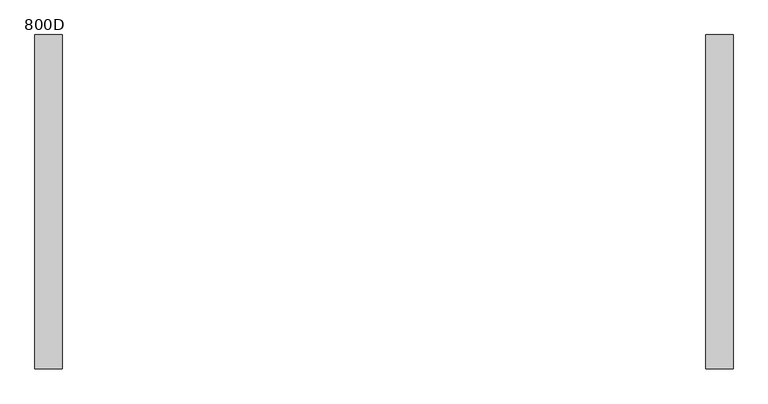
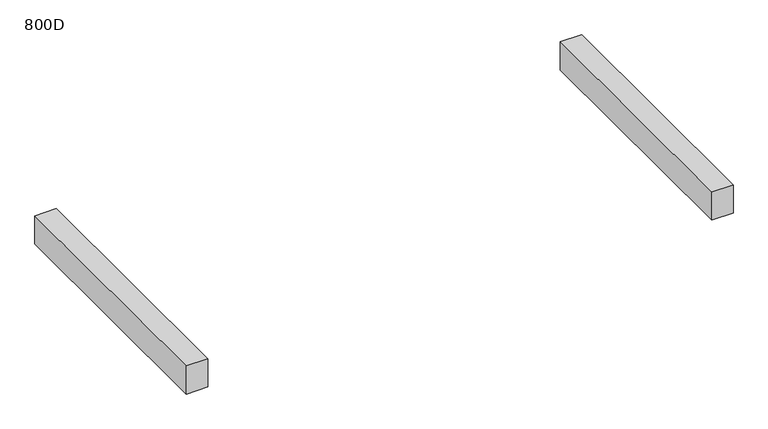
"""IFC4 building model written with IfcOpenShell, lengths in millimetres: furniture geometry, 800D."""

import ifcopenshell
import ifcopenshell.guid

model = None  # the IFC model being written
_history = None  # IfcOwnerHistory: only IFC2X3 demands one
_inside = {}  # id of a spatial element -> (the spatial element, [elements in it])
_under = {}  # id of a project, library or spatial element -> (it, [spatial elements below it])
_declared = {}  # id of a project -> (the project, [libraries it declares])
_typed = {}  # id of a type object -> (the type object, [elements of that type])
_made_of = {}  # id of a material, layer set ... -> (it, [elements and type objects made of it])


def new_model(schema):
    """Start an empty IFC model of exactly this schema.

    Asked for "IFC4X3", IfcOpenShell would pick the latest addendum, in which some entities
    have other attributes; the version numbers below select the first issue.
    IFC2X3 requires an IfcOwnerHistory on every rooted entity: one is made here for all.
    """
    global model, _history
    if schema == "IFC4X3":
        model = ifcopenshell.file(schema_version=(4, 3, 0, 0))
    else:
        model = ifcopenshell.file(schema=schema)
    _inside.clear()
    _under.clear()
    _declared.clear()
    _typed.clear()
    _made_of.clear()
    _history = None
    if model.schema == "IFC2X3":
        org = make("IfcOrganization", Name="unknown")
        user = make(
            "IfcPersonAndOrganization",
            ThePerson=make("IfcPerson", FamilyName="unknown"),
            TheOrganization=org,
        )
        app = make(
            "IfcApplication",
            ApplicationDeveloper=org,
            Version="unknown",
            ApplicationFullName="unknown",
            ApplicationIdentifier="unknown",
        )
        _history = make(
            "IfcOwnerHistory",
            OwningUser=user,
            OwningApplication=app,
            ChangeAction="ADDED",
            CreationDate=0,
        )
    return model


def make(cls, **values):
    """One entity of the class cls with the attributes given. An attribute that is None is left unset."""
    return model.create_entity(
        cls, **{name: value for name, value in values.items() if value is not None}
    )


def rooted(cls, **values):
    """An entity with a GlobalId (a new one), such as an element, a storey or a relation."""
    return make(cls, GlobalId=ifcopenshell.guid.new(), OwnerHistory=_history, **values)


def si_unit(unit_type, name, prefix=None):
    """IfcSIUnit, for example si_unit("LENGTHUNIT", "METRE", prefix="MILLI")."""
    return make("IfcSIUnit", UnitType=unit_type, Prefix=prefix, Name=name)


def assignment(units):
    """IfcUnitAssignment: the units of a project."""
    return None if units is None else make("IfcUnitAssignment", Units=units)


def point(xyz):
    """IfcCartesianPoint."""
    return None if xyz is None else make("IfcCartesianPoint", Coordinates=xyz)


def direction(xyz):
    """IfcDirection."""
    return None if xyz is None else make("IfcDirection", DirectionRatios=xyz)


def frame(location, z_axis=None, x_axis=None):
    """IfcAxis2Placement3D, a coordinate frame: its origin and axes. An axis left out is left unset."""
    return make(
        "IfcAxis2Placement3D",
        Location=point(location),
        Axis=direction(z_axis),
        RefDirection=direction(x_axis),
    )


def origin():
    """The frame at (0, 0, 0) with its axes left unset."""
    return frame((0.0, 0.0, 0.0))


def place(relative_to, where):
    """IfcLocalPlacement: puts the frame where relative to a parent placement (None: the world)."""
    return make(
        "IfcLocalPlacement", PlacementRelTo=relative_to, RelativePlacement=where
    )


def context(
    kind, dimensions, precision=None, world=None, true_north=None, identifier=None
):
    """IfcGeometricRepresentationContext, for example the 3D "Model" context."""
    return make(
        "IfcGeometricRepresentationContext",
        ContextIdentifier=identifier,
        ContextType=kind,
        CoordinateSpaceDimension=dimensions,
        Precision=precision,
        WorldCoordinateSystem=world,
        TrueNorth=true_north,
    )


def project(units=None, contexts=None):
    """IfcProject with its units and contexts."""
    return rooted(
        "IfcProject",
        Name="project",
        RepresentationContexts=contexts,
        UnitsInContext=assignment(units),
    )


def spatial(cls, under=None, at=None, **own):
    """A site, building, storey or space (cls), placed at a placement, below another one or the project."""
    s = rooted(cls, ObjectPlacement=at, **own)
    if under is not None:
        _under.setdefault(under.id(), (under, []))[1].append(s)
    return s


def polyline(points):
    """IfcPolyline through the points."""
    return make("IfcPolyline", Points=[point(p) for p in points])


def outline(outer, holes=None, kind="AREA"):
    """IfcArbitraryClosedProfileDef: a profile drawn as a closed curve; with holes, ...WithVoids."""
    if holes is None:
        return make("IfcArbitraryClosedProfileDef", ProfileType=kind, OuterCurve=outer)
    return make(
        "IfcArbitraryProfileDefWithVoids",
        ProfileType=kind,
        OuterCurve=outer,
        InnerCurves=holes,
    )


def extrude(swept, where, along, depth):
    """IfcExtrudedAreaSolid: the profile swept, set in the frame where, extruded along a direction by depth."""
    return make(
        "IfcExtrudedAreaSolid",
        SweptArea=swept,
        Position=where,
        ExtrudedDirection=direction(along),
        Depth=depth,
    )


def shape(context_of_items, identifier, shape_type, items):
    """IfcShapeRepresentation: the items that make up one representation, for example the "Body"."""
    return make(
        "IfcShapeRepresentation",
        ContextOfItems=context_of_items,
        RepresentationIdentifier=identifier,
        RepresentationType=shape_type,
        Items=items,
    )


def source(mapping_origin, context_of_items, identifier, shape_type, items):
    """IfcRepresentationMap: a shape defined once, which mapped items show again and again."""
    return make(
        "IfcRepresentationMap",
        MappingOrigin=mapping_origin,
        MappedRepresentation=shape(context_of_items, identifier, shape_type, items),
    )


def transform(
    local_origin,
    x_axis=None,
    y_axis=None,
    z_axis=None,
    scale=None,
    scale2=None,
    scale3=None,
    uniform=True,
):
    """IfcCartesianTransformationOperator3D, or its non-uniform kind. x_axis, y_axis, z_axis: its Axis1, 2, 3."""
    if uniform:
        return make(
            "IfcCartesianTransformationOperator3D",
            Axis1=direction(x_axis),
            Axis2=direction(y_axis),
            LocalOrigin=point(local_origin),
            Scale=scale,
            Axis3=direction(z_axis),
        )
    return make(
        "IfcCartesianTransformationOperator3DnonUniform",
        Axis1=direction(x_axis),
        Axis2=direction(y_axis),
        LocalOrigin=point(local_origin),
        Scale=scale,
        Axis3=direction(z_axis),
        Scale2=scale2,
        Scale3=scale3,
    )


def mapped(mapping_source, mapping_target):
    """IfcMappedItem: shows the shape of a source again, moved by a transform."""
    return make(
        "IfcMappedItem", MappingSource=mapping_source, MappingTarget=mapping_target
    )


def made_of(thing, what):
    """Note that an element or type object is made of a material, layer set ...; save() writes the relation."""
    if what is not None:
        _made_of.setdefault(what.id(), (what, []))[1].append(thing)
    return thing


def element(
    cls,
    number,
    at=None,
    inside=None,
    cuts=None,
    type_object=None,
    material=None,
    context=None,
    identifier="Body",
    shape_type=None,
    held_by="IfcProductDefinitionShape",
    body=None,
    shapes=None,
    **own,
):
    """One element of the class cls, such as IfcWall. Its Tag is "e" and its number.

    at: its placement. inside: the storey or other place that contains it. cuts: it is an
    opening in that element (IfcRelVoidsElement). A single representation is given by context,
    identifier, shape_type and body (its items); several are given by shapes. held_by: the class
    of the entity that holds the representations. save() writes the other relations.
    """
    e = rooted(cls, Tag="e%d" % number, ObjectPlacement=at, **own)
    if body is not None:
        shapes = [shape(context, identifier, shape_type, body)]
    if shapes is not None:
        e.Representation = make(held_by, Representations=shapes)
    if inside is not None:
        _inside.setdefault(inside.id(), (inside, []))[1].append(e)
    if cuts is not None:
        rooted(
            "IfcRelVoidsElement", RelatingBuildingElement=cuts, RelatedOpeningElement=e
        )
    if type_object is not None:
        _typed.setdefault(type_object.id(), (type_object, []))[1].append(e)
    return made_of(e, material)


def aggregate(whole, parts):
    """IfcRelAggregates: a whole, such as a stair, and the parts it consists of."""
    return rooted("IfcRelAggregates", RelatingObject=whole, RelatedObjects=parts)


def save(model, path):
    """Write the relations noted so far, then the file.

    IfcRelAggregates (storeys below a building ...), IfcRelContainedInSpatialStructure (elements
    in a storey), IfcRelDefinesByType, IfcRelAssociatesMaterial and IfcRelDeclares: one each for
    every whole, place, type object, material and project.
    """
    for whole, parts in _under.values():
        aggregate(whole, parts)
    for where, things in _inside.values():
        rooted(
            "IfcRelContainedInSpatialStructure",
            RelatedElements=things,
            RelatingStructure=where,
        )
    for kind, things in _typed.values():
        rooted("IfcRelDefinesByType", RelatedObjects=things, RelatingType=kind)
    for what, things in _made_of.values():
        rooted("IfcRelAssociatesMaterial", RelatedObjects=things, RelatingMaterial=what)
    for by, libraries in _declared.values():
        rooted("IfcRelDeclares", RelatingContext=by, RelatedDefinitions=libraries)
    model.write(path)


def furniture_800d_a56e6fef(model_context):
    return source(origin(), model_context, "Body", "SweptSolid", [
        extrude(outline(polyline([(-709.9999968, 369.0), (-709.9999968, -369.0), (-770.0, -369.0), (-770.0, 369.0), (-709.9999968, 369.0)])), frame((0.0, 0.0, 435.0), z_axis=(0.0, 0.0, 1.0), x_axis=(1.0, 0.0, 0.0)), (0.0, 0.0, 1.0), 84.0),
        extrude(outline(polyline([(770.0, 369.0), (770.0, -369.0), (709.9999968, -369.0), (709.9999968, 369.0), (770.0, 369.0)])), frame((0.0, 0.0, 435.0), z_axis=(0.0, 0.0, 1.0), x_axis=(1.0, 0.0, 0.0)), (0.0, 0.0, 1.0), 84.0),
    ])


if __name__ == "__main__":
    model = new_model("IFC4")
    model_context = context("Model", 3, world=origin())
    ifc_project = project(units=[si_unit("LENGTHUNIT", "METRE", prefix="MILLI")], contexts=[model_context])
    site = spatial("IfcSite", under=ifc_project)
    building = spatial("IfcBuilding", under=site)
    placement = place(None, origin())
    furniture_800d_shape = furniture_800d_a56e6fef(model_context)
    element("IfcFurniture", 1, ObjectType="800D", at=placement, inside=building, context=model_context, shape_type="MappedRepresentation", body=[
        mapped(furniture_800d_shape, transform((0.0, 0.0, 0.0), x_axis=(1.0, 0.0, 0.0), y_axis=(0.0, 1.0, 0.0), z_axis=(0.0, 0.0, 1.0))),
    ])
    save(model, "model.ifc")
